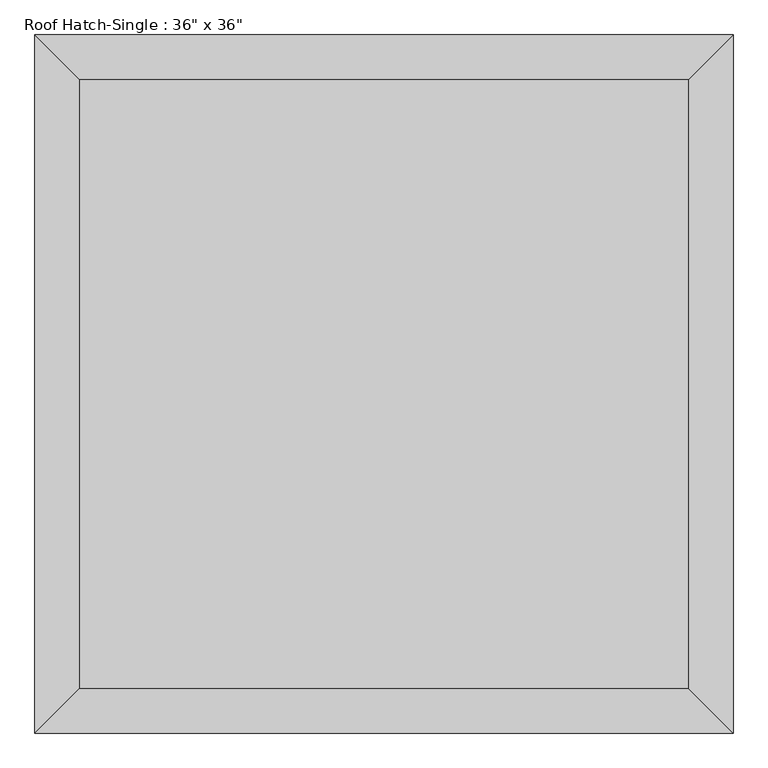
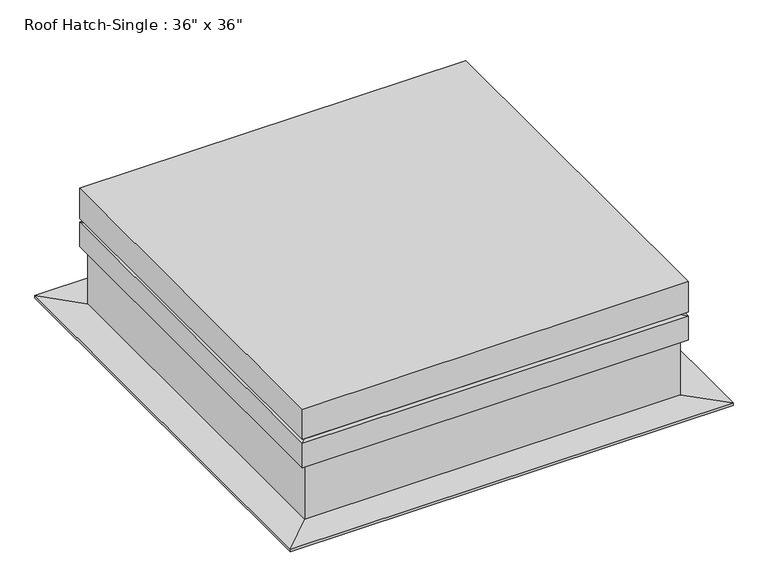
"""IFC4 building model written with IfcOpenShell, lengths in millimetres: proxy geometry."""

import ifcopenshell
import ifcopenshell.guid

model = None  # the IFC model being written
_history = None  # IfcOwnerHistory: only IFC2X3 demands one
_inside = {}  # id of a spatial element -> (the spatial element, [elements in it])
_under = {}  # id of a project, library or spatial element -> (it, [spatial elements below it])
_declared = {}  # id of a project -> (the project, [libraries it declares])
_typed = {}  # id of a type object -> (the type object, [elements of that type])
_made_of = {}  # id of a material, layer set ... -> (it, [elements and type objects made of it])


def new_model(schema):
    """Start an empty IFC model of exactly this schema.

    Asked for "IFC4X3", IfcOpenShell would pick the latest addendum, in which some entities
    have other attributes; the version numbers below select the first issue.
    IFC2X3 requires an IfcOwnerHistory on every rooted entity: one is made here for all.
    """
    global model, _history
    if schema == "IFC4X3":
        model = ifcopenshell.file(schema_version=(4, 3, 0, 0))
    else:
        model = ifcopenshell.file(schema=schema)
    _inside.clear()
    _under.clear()
    _declared.clear()
    _typed.clear()
    _made_of.clear()
    _history = None
    if model.schema == "IFC2X3":
        org = make("IfcOrganization", Name="unknown")
        user = make(
            "IfcPersonAndOrganization",
            ThePerson=make("IfcPerson", FamilyName="unknown"),
            TheOrganization=org,
        )
        app = make(
            "IfcApplication",
            ApplicationDeveloper=org,
            Version="unknown",
            ApplicationFullName="unknown",
            ApplicationIdentifier="unknown",
        )
        _history = make(
            "IfcOwnerHistory",
            OwningUser=user,
            OwningApplication=app,
            ChangeAction="ADDED",
            CreationDate=0,
        )
    return model


def make(cls, **values):
    """One entity of the class cls with the attributes given. An attribute that is None is left unset."""
    return model.create_entity(
        cls, **{name: value for name, value in values.items() if value is not None}
    )


def rooted(cls, **values):
    """An entity with a GlobalId (a new one), such as an element, a storey or a relation."""
    return make(cls, GlobalId=ifcopenshell.guid.new(), OwnerHistory=_history, **values)


def si_unit(unit_type, name, prefix=None):
    """IfcSIUnit, for example si_unit("LENGTHUNIT", "METRE", prefix="MILLI")."""
    return make("IfcSIUnit", UnitType=unit_type, Prefix=prefix, Name=name)


def assignment(units):
    """IfcUnitAssignment: the units of a project."""
    return None if units is None else make("IfcUnitAssignment", Units=units)


def point(xyz):
    """IfcCartesianPoint."""
    return None if xyz is None else make("IfcCartesianPoint", Coordinates=xyz)


def direction(xyz):
    """IfcDirection."""
    return None if xyz is None else make("IfcDirection", DirectionRatios=xyz)


def frame(location, z_axis=None, x_axis=None):
    """IfcAxis2Placement3D, a coordinate frame: its origin and axes. An axis left out is left unset."""
    return make(
        "IfcAxis2Placement3D",
        Location=point(location),
        Axis=direction(z_axis),
        RefDirection=direction(x_axis),
    )


def origin():
    """The frame at (0, 0, 0) with its axes left unset."""
    return frame((0.0, 0.0, 0.0))


def place(relative_to, where):
    """IfcLocalPlacement: puts the frame where relative to a parent placement (None: the world)."""
    return make(
        "IfcLocalPlacement", PlacementRelTo=relative_to, RelativePlacement=where
    )


def context(
    kind, dimensions, precision=None, world=None, true_north=None, identifier=None
):
    """IfcGeometricRepresentationContext, for example the 3D "Model" context."""
    return make(
        "IfcGeometricRepresentationContext",
        ContextIdentifier=identifier,
        ContextType=kind,
        CoordinateSpaceDimension=dimensions,
        Precision=precision,
        WorldCoordinateSystem=world,
        TrueNorth=true_north,
    )


def project(units=None, contexts=None):
    """IfcProject with its units and contexts."""
    return rooted(
        "IfcProject",
        Name="project",
        RepresentationContexts=contexts,
        UnitsInContext=assignment(units),
    )


def spatial(cls, under=None, at=None, **own):
    """A site, building, storey or space (cls), placed at a placement, below another one or the project."""
    s = rooted(cls, ObjectPlacement=at, **own)
    if under is not None:
        _under.setdefault(under.id(), (under, []))[1].append(s)
    return s


def faces_of(points, faces, orient=None, outer=None):
    """IfcFace entities. A face is a list of loops; a loop is a list of indices into points, from 0.

    orient and outer hold one flag for each loop. By default every Orientation is true, the
    first loop of a face is its IfcFaceOuterBound and the others are IfcFaceBound.
    """
    made = []
    for i, loops in enumerate(faces):
        bounds = []
        for j, loop in enumerate(loops):
            is_outer = j == 0 if outer is None else outer[i][j]
            bounds.append(
                make(
                    "IfcFaceOuterBound" if is_outer else "IfcFaceBound",
                    Bound=make("IfcPolyLoop", Polygon=[points[k] for k in loop]),
                    Orientation=True if orient is None else orient[i][j],
                )
            )
        made.append(make("IfcFace", Bounds=bounds))
    return made


def faceted_brep(points, faces, orient=None, outer=None, voids=None):
    """IfcFacetedBrep: a solid bounded by flat faces; with voids (closed shells), ...WithVoids."""
    shared = [point(p) for p in points]
    hull = make("IfcClosedShell", CfsFaces=faces_of(shared, faces, orient, outer))
    if voids is None:
        return make("IfcFacetedBrep", Outer=hull)
    return make(
        "IfcFacetedBrepWithVoids",
        Outer=hull,
        Voids=[
            make(cls, CfsFaces=faces_of(shared, fs, o, b)) for cls, fs, o, b in voids
        ],
    )


def shape(context_of_items, identifier, shape_type, items):
    """IfcShapeRepresentation: the items that make up one representation, for example the "Body"."""
    return make(
        "IfcShapeRepresentation",
        ContextOfItems=context_of_items,
        RepresentationIdentifier=identifier,
        RepresentationType=shape_type,
        Items=items,
    )


def source(mapping_origin, context_of_items, identifier, shape_type, items):
    """IfcRepresentationMap: a shape defined once, which mapped items show again and again."""
    return make(
        "IfcRepresentationMap",
        MappingOrigin=mapping_origin,
        MappedRepresentation=shape(context_of_items, identifier, shape_type, items),
    )


def transform(
    local_origin,
    x_axis=None,
    y_axis=None,
    z_axis=None,
    scale=None,
    scale2=None,
    scale3=None,
    uniform=True,
):
    """IfcCartesianTransformationOperator3D, or its non-uniform kind. x_axis, y_axis, z_axis: its Axis1, 2, 3."""
    if uniform:
        return make(
            "IfcCartesianTransformationOperator3D",
            Axis1=direction(x_axis),
            Axis2=direction(y_axis),
            LocalOrigin=point(local_origin),
            Scale=scale,
            Axis3=direction(z_axis),
        )
    return make(
        "IfcCartesianTransformationOperator3DnonUniform",
        Axis1=direction(x_axis),
        Axis2=direction(y_axis),
        LocalOrigin=point(local_origin),
        Scale=scale,
        Axis3=direction(z_axis),
        Scale2=scale2,
        Scale3=scale3,
    )


def mapped(mapping_source, mapping_target):
    """IfcMappedItem: shows the shape of a source again, moved by a transform."""
    return make(
        "IfcMappedItem", MappingSource=mapping_source, MappingTarget=mapping_target
    )


def made_of(thing, what):
    """Note that an element or type object is made of a material, layer set ...; save() writes the relation."""
    if what is not None:
        _made_of.setdefault(what.id(), (what, []))[1].append(thing)
    return thing


def element(
    cls,
    number,
    at=None,
    inside=None,
    cuts=None,
    type_object=None,
    material=None,
    context=None,
    identifier="Body",
    shape_type=None,
    held_by="IfcProductDefinitionShape",
    body=None,
    shapes=None,
    **own,
):
    """One element of the class cls, such as IfcWall. Its Tag is "e" and its number.

    at: its placement. inside: the storey or other place that contains it. cuts: it is an
    opening in that element (IfcRelVoidsElement). A single representation is given by context,
    identifier, shape_type and body (its items); several are given by shapes. held_by: the class
    of the entity that holds the representations. save() writes the other relations.
    """
    e = rooted(cls, Tag="e%d" % number, ObjectPlacement=at, **own)
    if body is not None:
        shapes = [shape(context, identifier, shape_type, body)]
    if shapes is not None:
        e.Representation = make(held_by, Representations=shapes)
    if inside is not None:
        _inside.setdefault(inside.id(), (inside, []))[1].append(e)
    if cuts is not None:
        rooted(
            "IfcRelVoidsElement", RelatingBuildingElement=cuts, RelatedOpeningElement=e
        )
    if type_object is not None:
        _typed.setdefault(type_object.id(), (type_object, []))[1].append(e)
    return made_of(e, material)


def aggregate(whole, parts):
    """IfcRelAggregates: a whole, such as a stair, and the parts it consists of."""
    return rooted("IfcRelAggregates", RelatingObject=whole, RelatedObjects=parts)


def save(model, path):
    """Write the relations noted so far, then the file.

    IfcRelAggregates (storeys below a building ...), IfcRelContainedInSpatialStructure (elements
    in a storey), IfcRelDefinesByType, IfcRelAssociatesMaterial and IfcRelDeclares: one each for
    every whole, place, type object, material and project.
    """
    for whole, parts in _under.values():
        aggregate(whole, parts)
    for where, things in _inside.values():
        rooted(
            "IfcRelContainedInSpatialStructure",
            RelatedElements=things,
            RelatingStructure=where,
        )
    for kind, things in _typed.values():
        rooted("IfcRelDefinesByType", RelatedObjects=things, RelatingType=kind)
    for what, things in _made_of.values():
        rooted("IfcRelAssociatesMaterial", RelatedObjects=things, RelatingMaterial=what)
    for by, libraries in _declared.values():
        rooted("IfcRelDeclares", RelatingContext=by, RelatedDefinitions=libraries)
    model.write(path)


def proxy_856d44a0(model_context):
    return source(origin(), model_context, "Body", "Brep", [
        faceted_brep([(476.25, 476.25, 4229.1), (-476.25, 476.25, 4229.1), (-476.25, -476.25, 4229.1), (476.25, -476.25, 4229.1), (-469.9, 469.9, 4205.7551554), (469.9, 469.9, 4205.7551554), (469.9, -469.9, 4205.7551554), (-469.9, -469.9, 4205.7551554), (476.25, 476.25, 4150.2648503), (-476.25, 476.25, 4150.2648503), (-476.25, -476.25, 4150.2648503), (476.25, -476.25, 4150.2648503), (-469.9, 469.9, 4150.2648503), (469.9, 469.9, 4150.2648503), (469.9, -469.9, 4150.2648503), (-469.9, -469.9, 4150.2648503)], [[[0, 1, 2, 3]], [[4, 5, 6, 7]], [[1, 0, 8, 9]], [[2, 1, 9, 10]], [[3, 2, 10, 11]], [[8, 0, 3, 11]], [[12, 9, 8, 13]], [[12, 13, 5, 4]], [[13, 8, 11, 14]], [[5, 13, 14, 6]], [[14, 11, 10, 15]], [[6, 14, 15, 7]], [[9, 12, 15, 10]], [[12, 4, 7, 15]]]),
        faceted_brep([(-463.55, 463.55, 4127.5), (-457.2, 457.2, 4127.5), (457.2, 457.2, 4127.5), (463.55, 463.55, 4127.5), (-463.55, 463.55, 3930.65), (463.55, 463.55, 3930.65), (-546.1, 546.1, 3930.65), (546.1, 546.1, 3930.65), (-546.1, 546.1, 3924.3), (546.1, 546.1, 3924.3), (-457.2, 457.2, 3924.3), (457.2, 457.2, 3924.3), (457.2, -457.2, 4127.5), (463.55, -463.55, 4127.5), (463.55, -463.55, 3930.65), (546.1, -546.1, 3930.65), (546.1, -546.1, 3924.3), (457.2, -457.2, 3924.3), (-457.2, -457.2, 4127.5), (-463.55, -463.55, 4127.5), (-463.55, -463.55, 3930.65), (-546.1, -546.1, 3930.65), (-546.1, -546.1, 3924.3), (-457.2, -457.2, 3924.3)], [[[0, 1, 2, 3]], [[4, 0, 3, 5]], [[6, 4, 5, 7]], [[8, 6, 7, 9]], [[10, 8, 9, 11]], [[1, 10, 11, 2]], [[3, 2, 12, 13]], [[5, 3, 13, 14]], [[7, 5, 14, 15]], [[9, 7, 15, 16]], [[11, 9, 16, 17]], [[2, 11, 17, 12]], [[13, 12, 18, 19]], [[14, 13, 19, 20]], [[15, 14, 20, 21]], [[16, 15, 21, 22]], [[17, 16, 22, 23]], [[12, 17, 23, 18]], [[19, 18, 1, 0]], [[20, 19, 0, 4]], [[21, 20, 4, 6]], [[22, 21, 6, 8]], [[23, 22, 8, 10]], [[18, 23, 10, 1]]]),
        faceted_brep([(-463.55, 463.55, 4197.35), (-457.2, 457.2, 4197.35), (457.2, 457.2, 4197.35), (463.55, 463.55, 4197.35), (-463.55, 463.55, 4140.2), (463.55, 463.55, 4140.2), (-476.25, 476.25, 4140.2), (476.25, 476.25, 4140.2), (-476.25, 476.25, 4076.7), (476.25, 476.25, 4076.7), (-469.9, 469.9, 4076.7), (469.9, 469.9, 4076.7), (-469.9, 469.9, 4133.85), (469.9, 469.9, 4133.85), (-457.2, 457.2, 4133.85), (457.2, 457.2, 4133.85), (457.2, -457.2, 4197.35), (463.55, -463.55, 4197.35), (463.55, -463.55, 4140.2), (476.25, -476.25, 4140.2), (476.25, -476.25, 4076.7), (469.9, -469.9, 4076.7), (469.9, -469.9, 4133.85), (457.2, -457.2, 4133.85), (-457.2, -457.2, 4197.35), (-463.55, -463.55, 4197.35), (-463.55, -463.55, 4140.2), (-476.25, -476.25, 4140.2), (-476.25, -476.25, 4076.7), (-469.9, -469.9, 4076.7), (-469.9, -469.9, 4133.85), (-457.2, -457.2, 4133.85)], [[[0, 1, 2, 3]], [[4, 0, 3, 5]], [[6, 4, 5, 7]], [[8, 6, 7, 9]], [[10, 8, 9, 11]], [[12, 10, 11, 13]], [[14, 12, 13, 15]], [[1, 14, 15, 2]], [[3, 2, 16, 17]], [[5, 3, 17, 18]], [[7, 5, 18, 19]], [[9, 7, 19, 20]], [[11, 9, 20, 21]], [[13, 11, 21, 22]], [[15, 13, 22, 23]], [[2, 15, 23, 16]], [[17, 16, 24, 25]], [[18, 17, 25, 26]], [[19, 18, 26, 27]], [[20, 19, 27, 28]], [[21, 20, 28, 29]], [[22, 21, 29, 30]], [[23, 22, 30, 31]], [[16, 23, 31, 24]], [[25, 24, 1, 0]], [[26, 25, 0, 4]], [[27, 26, 4, 6]], [[28, 27, 6, 8]], [[29, 28, 8, 10]], [[30, 29, 10, 12]], [[31, 30, 12, 14]], [[24, 31, 14, 1]]]),
    ])


if __name__ == "__main__":
    model = new_model("IFC4")
    model_context = context("Model", 3, world=origin())
    ifc_project = project(units=[si_unit("LENGTHUNIT", "METRE", prefix="MILLI")], contexts=[model_context])
    site = spatial("IfcSite", under=ifc_project)
    building = spatial("IfcBuilding", under=site)
    placement = place(None, origin())
    proxy_shape = proxy_856d44a0(model_context)
    element("IfcBuildingElementProxy", 1, Name="Roof Hatch-Single : 36\" x 36\"", ObjectType="Roof Hatch-Single : 36\" x 36\"", at=placement, inside=building, context=model_context, shape_type="MappedRepresentation", body=[
        mapped(proxy_shape, transform((0.0, 0.0, 0.0), x_axis=(1.0, 0.0, 0.0), y_axis=(0.0, 1.0, 0.0), z_axis=(0.0, 0.0, 1.0))),
    ])
    save(model, "model.ifc")
